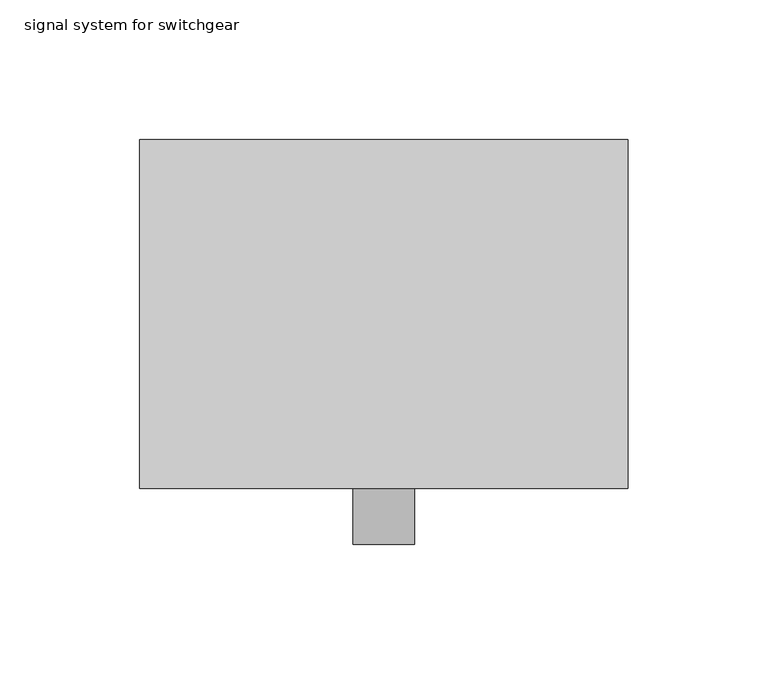
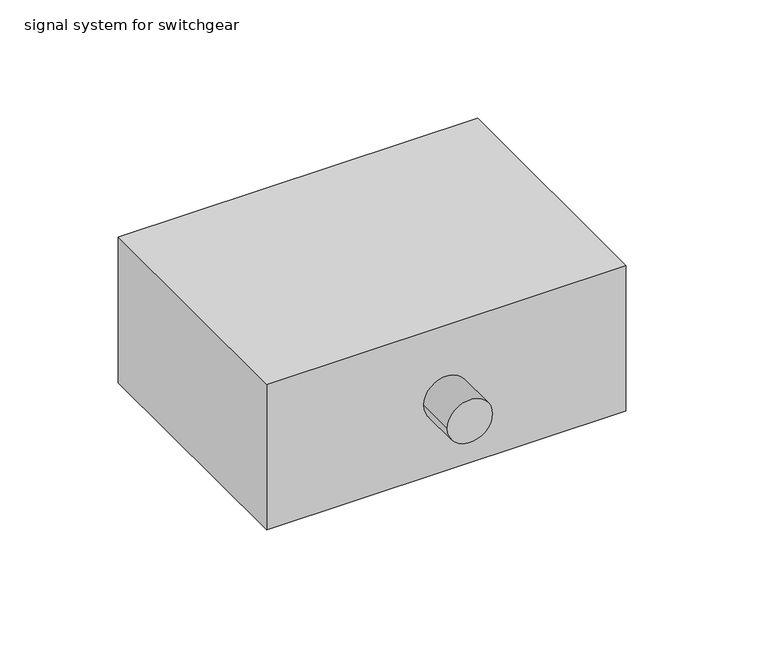
"""IFC4 building model written with IfcOpenShell, lengths in millimetres: proxy geometry, signal system for switchgear."""

from ifc_helpers import new_model, si_unit, frame, origin, place, context, project, spatial, circle_curve, source, transform, mapped, element, save
from ifc_brep_helpers import plane_surface, cylinder_surface, advanced_brep


def signal_system_for_switchgear_49fdbc68(model_context):
    return source(origin(), model_context, "Body", "AdvancedBrep", [
        advanced_brep(
        [(-11.0, -82.5, 37.5), (11.0, -82.5, 37.5), (11.0, -62.5, 37.5), (-11.0, -62.5, 37.5), (87.5, 62.5, 75.0), (-87.5, 62.5, 75.0), (-87.5, -62.5, 75.0), (87.5, -62.5, 75.0), (87.5, 62.5, 0.0), (87.5, -62.5, 0.0), (-87.5, -62.5, 0.0), (-87.5, 62.5, 0.0)],
        [
            (0, 1, circle_curve(frame((0.0, -82.5, 37.5), z_axis=(0.0, -1.0, 0.0), x_axis=(1.0, 0.0, 0.0)), 11.0)),
            (1, 0, circle_curve(frame((0.0, -82.5, 37.5), z_axis=(0.0, -1.0, 0.0), x_axis=(1.0, 0.0, 0.0)), 11.0)),
            (1, 2),
            (2, 3, circle_curve(frame((0.0, -62.5, 37.5), z_axis=(0.0, -1.0, 0.0), x_axis=(1.0, 0.0, 0.0)), 11.0)),
            (3, 0),
            (3, 2, circle_curve(frame((0.0, -62.5, 37.5), z_axis=(0.0, -1.0, 0.0), x_axis=(1.0, 0.0, 0.0)), 11.0)),
            (4, 5),
            (5, 6),
            (6, 7),
            (7, 4),
            (8, 9),
            (9, 10),
            (10, 11),
            (11, 8),
            (4, 8),
            (11, 5),
            (10, 6),
            (9, 7),
        ],
        [
            plane_surface(frame((0.0, -82.5, 37.5), z_axis=(0.0, -1.0, 0.0), x_axis=(0.0, 0.0, 1.0))),
            cylinder_surface(frame((0.0, -62.5, 37.5), z_axis=(0.0, 1.0, 0.0), x_axis=(1.0, 0.0, 0.0)), 11.0),
            plane_surface(frame((-87.5, 62.5, 75.0), z_axis=(0.0, 0.0, 1.0), x_axis=(-1.0, 0.0, 0.0))),
            plane_surface(frame((-87.5, 62.5, 0.0), z_axis=(0.0, 0.0, -1.0), x_axis=(1.0, 0.0, 0.0))),
            plane_surface(frame((87.5, 62.5, 75.0), z_axis=(0.0, 1.0, 0.0), x_axis=(0.0, 0.0, -1.0))),
            plane_surface(frame((-87.5, 62.5, 75.0), z_axis=(-1.0, 0.0, 0.0), x_axis=(0.0, 0.0, -1.0))),
            plane_surface(frame((-87.5, -62.5, 75.0), z_axis=(0.0, -1.0, 0.0), x_axis=(0.0, 0.0, -1.0))),
            plane_surface(frame((87.5, -62.5, 75.0), z_axis=(1.0, 0.0, 0.0), x_axis=(0.0, 0.0, -1.0))),
        ],
        [
            (0, [[1, 2]]),
            (1, [[-2, 3, 4, 5]]),
            (1, [[-1, -5, 6, -3]]),
            (2, [[7, 8, 9, 10]]),
            (3, [[11, 12, 13, 14]]),
            (4, [[-7, 15, -14, 16]]),
            (5, [[-8, -16, -13, 17]]),
            (6, [[-9, -17, -12, 18], [-4, -6]]),
            (7, [[-10, -18, -11, -15]]),
        ],
    ),
    ])


if __name__ == "__main__":
    model = new_model("IFC4")
    model_context = context("Model", 3, world=origin())
    ifc_project = project(units=[si_unit("LENGTHUNIT", "METRE", prefix="MILLI")], contexts=[model_context])
    site = spatial("IfcSite", under=ifc_project)
    building = spatial("IfcBuilding", under=site)
    placement = place(None, origin())
    signal_system_for_switchgear_shape = signal_system_for_switchgear_49fdbc68(model_context)
    element("IfcBuildingElementProxy", 1, Name="signal system for switchgear", ObjectType="signal system for switchgear", at=placement, inside=building, context=model_context, shape_type="MappedRepresentation", body=[
        mapped(signal_system_for_switchgear_shape, transform((0.0, 0.0, 0.0), x_axis=(1.0, 0.0, 0.0), y_axis=(0.0, 1.0, 0.0), z_axis=(0.0, 0.0, 1.0))),
    ])
    save(model, "model.ifc")
